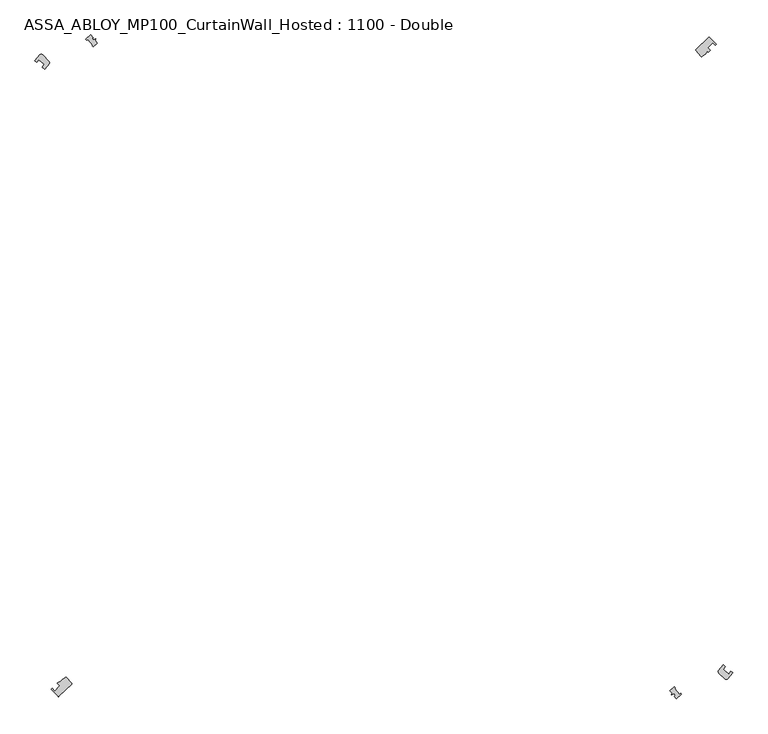
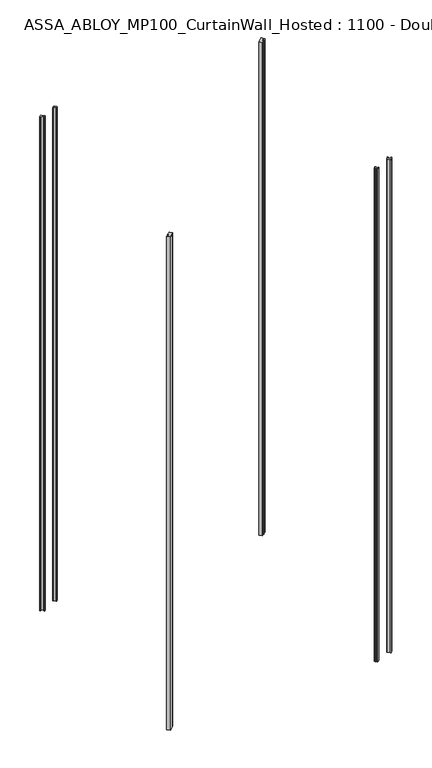
"""IFC4 building model written with IfcOpenShell, lengths in millimetres: plate geometry, ASSA_ABLOY_MP100_CurtainWall_Hosted : 1100 - Double."""

from ifc_helpers import new_model, si_unit, point, frame_2d, origin, origin_with_axes, origin_2d, place, context, project, spatial, polyline, circle_curve, trimmed, segment, composite_curve, outline, extrude, source, transform, mapped, element, save


def assa_abloy_mp100_curtainwall_hosted_1100_double_ec302dd9(model_context):
    return source(origin(), model_context, "Body", "SweptSolid", [
        extrude(outline(composite_curve([segment(polyline([(601.7972345, 611.4134708), (627.005532, 635.2685313)]), True, "CONTINUOUS"), segment(trimmed(circle_curve(frame_2d((627.6928744, 634.5421978)), 1.0), [point((627.005532, 635.2685313))], [point((628.3960042, 635.2532592))], False, "CARTESIAN"), True, "CONTINUOUS"), segment(trimmed(circle_curve(frame_2d((20.5060967, 20.5060967)), 864.5485606), [point((628.3960042, 635.2532592))], [point((641.7272716, 621.7784687))], False, "CARTESIAN"), True, "CONTINUOUS"), segment(polyline([(641.7272716, 621.7784687), (639.5716223, 619.6920421)]), True, "CONTINUOUS"), segment(trimmed(circle_curve(frame_2d((20.5060967, 20.5060967)), 861.5485606), [point((639.5716223, 619.6920421))], [point((634.6828597, 624.7021129))], True, "CARTESIAN"), True, "CONTINUOUS"), segment(polyline([(634.6828597, 624.7021129), (624.6228253, 614.9651287)]), True, "CONTINUOUS"), segment(trimmed(circle_curve(frame_2d((20.5060967, 20.5060967)), 847.5485606), [point((624.6228253, 614.9651287))], [point((629.5119254, 609.9553847))], False, "CARTESIAN"), True, "CONTINUOUS"), segment(polyline([(629.5119254, 609.9553847), (626.0407856, 606.5957109), (624.5559673, 608.1684626), (620.5594019, 603.0677693)]), True, "CONTINUOUS"), segment(trimmed(circle_curve(frame_2d((617.410796, 605.5348083)), 4.0), [point((620.5594019, 603.0677693))], [point((619.7005304, 602.2550039))], False, "CARTESIAN"), True, "CONTINUOUS"), segment(polyline([(619.7005304, 602.2550039), (613.7538625, 598.1034485)]), True, "CONTINUOUS"), segment(trimmed(circle_curve(frame_2d((613.4820549, 599.0658001)), 1.0), [point((613.7538625, 598.1034485))], [point((612.7557214, 598.3784577))], False, "CARTESIAN"), True, "CONTINUOUS"), segment(polyline([(612.7557214, 598.3784577), (601.7582433, 609.9997948)]), True, "CONTINUOUS"), segment(trimmed(circle_curve(frame_2d((602.4845768, 610.6871372)), 1.0), [point((601.7582433, 609.9997948))], [point((601.7972345, 611.4134708))], False, "CARTESIAN"), True, "CONTINUOUS")], self_intersect=False)), origin_with_axes(), (0.0, 0.0, 1.0), 3000.0),
        extrude(outline(composite_curve([segment(polyline([(-601.7972345, -611.4134708), (-627.005532, -635.2685313)]), True, "CONTINUOUS"), segment(trimmed(circle_curve(frame_2d((-627.6928744, -634.5421978)), 1.0), [point((-627.005532, -635.2685313))], [point((-628.3960042, -635.2532592))], False, "CARTESIAN"), True, "CONTINUOUS"), segment(trimmed(circle_curve(frame_2d((-20.5060967, -20.5060967)), 864.5485606), [point((-628.3960042, -635.2532592))], [point((-641.7272716, -621.7784687))], False, "CARTESIAN"), True, "CONTINUOUS"), segment(polyline([(-641.7272716, -621.7784687), (-639.5716223, -619.6920421)]), True, "CONTINUOUS"), segment(trimmed(circle_curve(frame_2d((-20.5060967, -20.5060967)), 861.5485606), [point((-639.5716223, -619.6920421))], [point((-634.6828597, -624.7021129))], True, "CARTESIAN"), True, "CONTINUOUS"), segment(polyline([(-634.6828597, -624.7021129), (-624.6228253, -614.9651287)]), True, "CONTINUOUS"), segment(trimmed(circle_curve(frame_2d((-20.5060967, -20.5060967)), 847.5485606), [point((-624.6228253, -614.9651287))], [point((-629.5119254, -609.9553847))], False, "CARTESIAN"), True, "CONTINUOUS"), segment(polyline([(-629.5119254, -609.9553847), (-626.0407856, -606.5957109), (-624.5559673, -608.1684626), (-620.5594019, -603.0677693)]), True, "CONTINUOUS"), segment(trimmed(circle_curve(frame_2d((-617.410796, -605.5348083)), 4.0), [point((-620.5594019, -603.0677693))], [point((-619.7005304, -602.2550039))], False, "CARTESIAN"), True, "CONTINUOUS"), segment(polyline([(-619.7005304, -602.2550039), (-613.7538625, -598.1034485)]), True, "CONTINUOUS"), segment(trimmed(circle_curve(frame_2d((-613.4820549, -599.0658001)), 1.0), [point((-613.7538625, -598.1034485))], [point((-612.7557214, -598.3784577))], False, "CARTESIAN"), True, "CONTINUOUS"), segment(polyline([(-612.7557214, -598.3784577), (-601.7582433, -609.9997948)]), True, "CONTINUOUS"), segment(trimmed(circle_curve(frame_2d((-602.4845768, -610.6871372)), 1.0), [point((-601.7582433, -609.9997948))], [point((-601.7972345, -611.4134708))], False, "CARTESIAN"), True, "CONTINUOUS")], self_intersect=False)), origin_with_axes(), (0.0, 0.0, 1.0), 3000.0),
        extrude(outline(composite_curve([segment(polyline([(-672.9207736, 589.7535757), (-663.2585603, 601.5111152)]), True, "CONTINUOUS"), segment(trimmed(circle_curve(frame_2d((-660.6792227, 598.4538259)), 4.0), [point((-663.2585603, 601.5111152))], [point((-657.8507956, 601.2822531))], False, "CARTESIAN"), True, "CONTINUOUS"), segment(polyline([(-657.8507956, 601.2822531), (-645.8818644, 589.3133219)]), True, "CONTINUOUS"), segment(trimmed(circle_curve(frame_2d((-648.7102915, 586.4848947)), 4.0), [point((-645.8818644, 589.3133219))], [point((-645.6198667, 583.9453525))], False, "CARTESIAN"), True, "CONTINUOUS"), segment(polyline([(-645.6198667, 583.9453525), (-654.2752254, 573.4124563), (-659.2107077, 577.7379556)]), True, "CONTINUOUS"), segment(trimmed(circle_curve(origin_2d(), 876.55), [point((-659.2107077, 577.7379556))], [point((-654.5759564, 582.9838932))], False, "CARTESIAN"), True, "CONTINUOUS"), segment(polyline([(-654.5759564, 582.9838932), (-665.1050073, 592.2116444)]), True, "CONTINUOUS"), segment(trimmed(circle_curve(origin_2d(), 890.55), [point((-665.1050073, 592.2116444))], [point((-669.7394281, 586.9654171))], True, "CARTESIAN"), True, "CONTINUOUS"), segment(polyline([(-669.7394281, 586.9654171), (-672.9207736, 589.7535757)]), True, "CONTINUOUS")], self_intersect=False)), origin_with_axes(), (0.0, 0.0, 1.0), 3000.0),
        extrude(outline(composite_curve([segment(polyline([(672.9233275, -589.7504464), (663.2584609, -601.5112146)]), True, "CONTINUOUS"), segment(trimmed(circle_curve(frame_2d((660.6789402, -598.460754)), 3.9949013), [point((663.2584609, -601.5112146))], [point((657.8541184, -601.2855759))], False, "CARTESIAN"), True, "CONTINUOUS"), segment(polyline([(657.8541184, -601.2855759), (646.6150545, -590.046512)]), True, "CONTINUOUS"), segment(trimmed(circle_curve(frame_2d((649.4434816, -587.2180849)), 4.0), [point((646.6150545, -590.046512))], [point((646.3530568, -584.6785426))], False, "CARTESIAN"), True, "CONTINUOUS"), segment(polyline([(646.3530568, -584.6785426), (655.0541995, -574.0899309), (659.2122316, -577.7340329)]), True, "CONTINUOUS"), segment(trimmed(circle_curve(origin_2d(), 876.5485606), [point((659.2122316, -577.7340329))], [point((654.5775039, -582.9799914))], False, "CARTESIAN"), True, "CONTINUOUS"), segment(polyline([(654.5775039, -582.9799914), (665.1065965, -592.2076951)]), True, "CONTINUOUS"), segment(trimmed(circle_curve(origin_2d(), 890.5485606), [point((665.1065965, -592.2076951))], [point((669.7409937, -586.9614469))], True, "CARTESIAN"), True, "CONTINUOUS"), segment(polyline([(669.7409937, -586.9614469), (672.9233275, -589.7504464)]), True, "CONTINUOUS")], self_intersect=False)), origin_with_axes(), (0.0, 0.0, 1.0), 3000.0),
        extrude(outline(composite_curve([segment(polyline([(-556.731165, 629.8561377), (-552.2694425, 624.2761512)]), True, "CONTINUOUS"), segment(trimmed(circle_curve(origin_2d(), 833.5), [point((-552.2694425, 624.2761512))], [point((-560.4101529, 616.9786954))], True, "CARTESIAN"), True, "CONTINUOUS"), segment(polyline([(-560.4101529, 616.9786954), (-562.7309781, 619.2995206), (-561.6890257, 620.1326593), (-570.4320477, 631.066989), (-572.6916681, 629.2602106), (-574.6500914, 631.2186339)]), True, "CONTINUOUS"), segment(trimmed(circle_curve(origin_2d(), 853.6156578), [point((-574.6500914, 631.2186339))], [point((-564.8469152, 640.0059794))], False, "CARTESIAN"), True, "CONTINUOUS"), segment(polyline([(-564.8469152, 640.0059794), (-560.7904251, 634.9327908), (-562.742984, 633.3715369), (-560.5572285, 630.6379544), (-555.8154373, 632.7140891), (-555.1969428, 631.9405782), (-556.731165, 629.8561377)]), True, "CONTINUOUS")], self_intersect=False)), origin_with_axes(), (0.0, 0.0, 1.0), 3000.0),
        extrude(outline(composite_curve([segment(polyline([(556.3767965, -629.5017692), (552.2694425, -624.2761512)]), True, "CONTINUOUS"), segment(trimmed(circle_curve(origin_2d(), 833.5), [point((552.2694425, -624.2761512))], [point((560.4101529, -616.9786954))], True, "CARTESIAN"), True, "CONTINUOUS"), segment(polyline([(560.4101529, -616.9786954), (562.7309781, -619.2995206), (561.6890257, -620.1326593), (570.4320477, -631.066989), (572.6916681, -629.2602106), (574.2960216, -630.8645641)]), True, "CONTINUOUS"), segment(trimmed(circle_curve(origin_2d(), 853.1154779), [point((574.2960216, -630.8645641))], [point((564.4925467, -639.6516109))], False, "CARTESIAN"), True, "CONTINUOUS"), segment(polyline([(564.4925467, -639.6516109), (560.4360567, -634.5784223), (562.3886155, -633.0171684), (560.2028601, -630.2835859), (555.4610688, -632.3597206), (554.8425743, -631.5862097), (556.3767965, -629.5017692)]), True, "CONTINUOUS")], self_intersect=False)), origin_with_axes(), (0.0, 0.0, 1.0), 3000.0),
    ])


if __name__ == "__main__":
    model = new_model("IFC4")
    model_context = context("Model", 3, world=origin())
    ifc_project = project(units=[si_unit("LENGTHUNIT", "METRE", prefix="MILLI")], contexts=[model_context])
    site = spatial("IfcSite", under=ifc_project)
    building = spatial("IfcBuilding", under=site)
    placement = place(None, origin())
    assa_abloy_mp100_curtainwall_hosted_1100_double_shape = assa_abloy_mp100_curtainwall_hosted_1100_double_ec302dd9(model_context)
    element("IfcPlate", 1, ObjectType="ASSA_ABLOY_MP100_CurtainWall_Hosted : 1100 - Double", at=placement, inside=building, context=model_context, shape_type="MappedRepresentation", body=[
        mapped(assa_abloy_mp100_curtainwall_hosted_1100_double_shape, transform((0.0, 0.0, 0.0), x_axis=(1.0, 0.0, 0.0), y_axis=(0.0, 1.0, 0.0), z_axis=(0.0, 0.0, 1.0))),
    ])
    save(model, "model.ifc")
